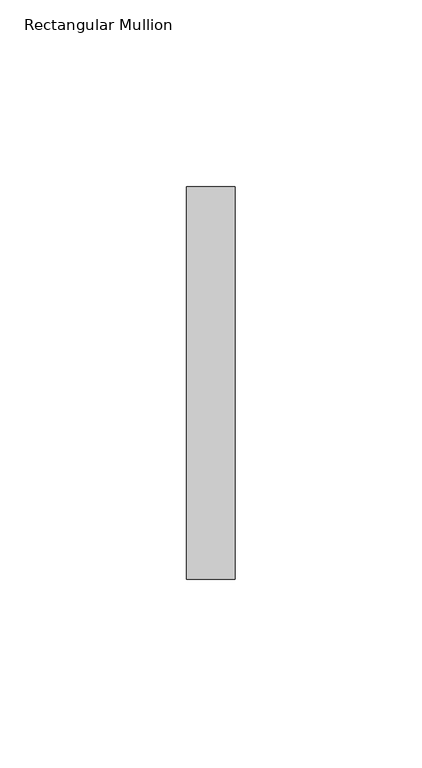
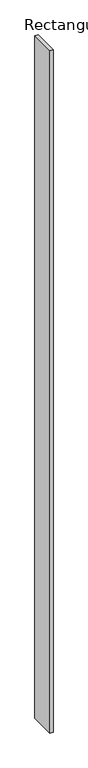
"""IFC4 building model written with IfcOpenShell, lengths in millimetres: member geometry, Rectangular Mullion."""

from ifc_helpers import new_model, si_unit, frame, origin, place, context, project, spatial, polyline, outline, extrude, source, transform, mapped, element, save


def rectangular_mullion_e797437a(model_context):
    return source(origin(), model_context, "Body", "SweptSolid", [
        extrude(outline(polyline([(0.0, 52.5), (0.0, -52.5), (-13.0, -52.5), (-13.0, 52.5), (0.0, 52.5)])), frame((0.0, 0.0, -2930.0), z_axis=(0.0, 0.0, 1.0), x_axis=(1.0, 0.0, 0.0)), (0.0, 0.0, 1.0), 2930.0),
    ])


if __name__ == "__main__":
    model = new_model("IFC4")
    model_context = context("Model", 3, world=origin())
    ifc_project = project(units=[si_unit("LENGTHUNIT", "METRE", prefix="MILLI")], contexts=[model_context])
    site = spatial("IfcSite", under=ifc_project)
    building = spatial("IfcBuilding", under=site)
    placement = place(None, origin())
    rectangular_mullion_shape = rectangular_mullion_e797437a(model_context)
    element("IfcMember", 1, ObjectType="Rectangular Mullion", at=placement, inside=building, context=model_context, shape_type="MappedRepresentation", body=[
        mapped(rectangular_mullion_shape, transform((0.0, 0.0, 0.0), x_axis=(1.0, 0.0, 0.0), y_axis=(0.0, 1.0, 0.0), z_axis=(0.0, 0.0, 1.0))),
    ])
    save(model, "model.ifc")
